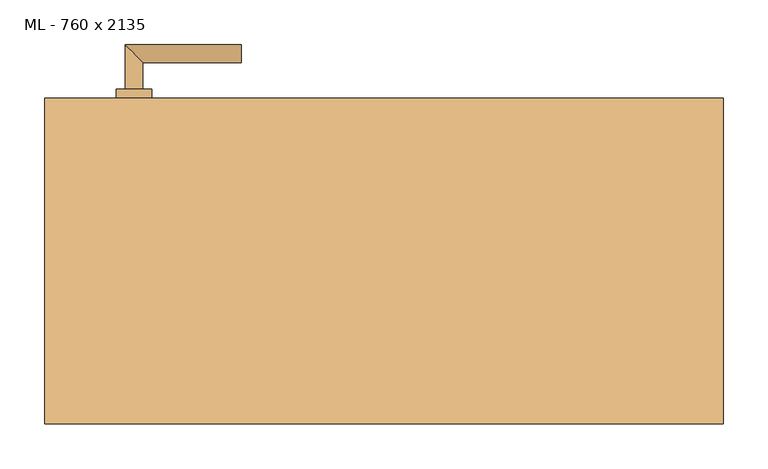
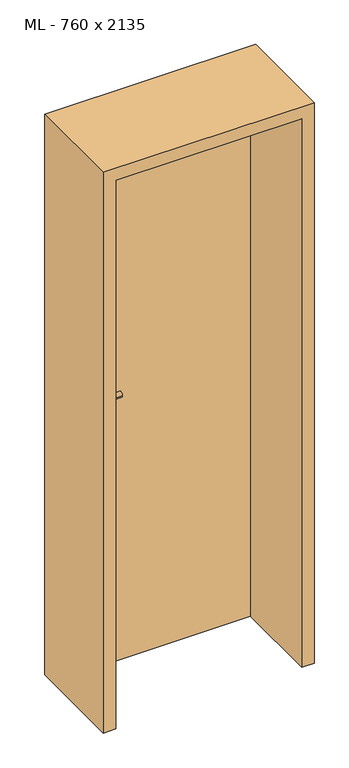
"""IFC4 building model written with IfcOpenShell, lengths in millimetres: door geometry, ML - 760 x 2135."""

from ifc_helpers import new_model, si_unit, point, frame, frame_2d, origin, origin_with_axes, place, context, project, spatial, polyline, circle_curve, ellipse_curve, trimmed, segment, composite_curve, outline, extrude, faceted_brep, source, transform, mapped, element, save
from ifc_brep_helpers import plane_surface, cylinder_surface, advanced_brep


def ml_760_x_2135_6ce7ee87(model_context):
    return source(origin(), model_context, "Body", "SolidModel", [
        extrude(outline(polyline([(346.0, 182.5), (346.0, 137.5), (-346.0, 137.5), (-346.0, 182.5), (346.0, 182.5)])), origin_with_axes(), (0.0, 0.0, 1.0), 2101.0),
        advanced_brep(
        [(-270.0, 192.5, 1050.0), (-290.0, 192.5, 1050.0), (-270.0, 222.5, 1050.0), (-290.0, 242.5, 1050.0), (-160.0, 222.5, 1050.0), (-160.0, 242.5, 1050.0)],
        [
            (0, 1, circle_curve(frame((-280.0, 192.5, 1050.0), z_axis=(0.0, -1.0, 0.0), x_axis=(-1.0, 0.0, 0.0)), 10.0)),
            (1, 0, circle_curve(frame((-280.0, 192.5, 1050.0), z_axis=(0.0, -1.0, 0.0), x_axis=(-1.0, 0.0, 0.0)), 10.0)),
            (0, 2),
            (2, 3, ellipse_curve(frame((-280.0, 232.5, 1050.0), z_axis=(-0.7071067811865531, -0.7071067811865419, 0.0), x_axis=(0.707106781186542, -0.707106781186553, 0.0)), 14.1421356, 10.0)),
            (3, 1),
            (3, 2, ellipse_curve(frame((-280.0, 232.5, 1050.0), z_axis=(-0.7071067811865531, -0.7071067811865419, 0.0), x_axis=(0.707106781186542, -0.707106781186553, 0.0)), 14.1421356, 10.0)),
            (4, 5, circle_curve(frame((-160.0, 232.5, 1050.0), z_axis=(1.0, 0.0, 0.0), x_axis=(0.0, 1.0, 0.0)), 10.0)),
            (5, 4, circle_curve(frame((-160.0, 232.5, 1050.0), z_axis=(1.0, 0.0, 0.0), x_axis=(0.0, 1.0, 0.0)), 10.0)),
            (2, 4),
            (5, 3),
        ],
        [
            plane_surface(frame((-280.0, 192.5, 1050.0), z_axis=(0.0, -1.0, 0.0), x_axis=(0.0, 0.0, 1.0))),
            cylinder_surface(frame((-280.0, 192.5, 1050.0), z_axis=(0.0, -1.0, 0.0), x_axis=(-1.0, 0.0, 0.0)), 10.0),
            plane_surface(frame((-160.0, 232.5, 1050.0), z_axis=(1.0, 0.0, 0.0), x_axis=(0.0, 0.0, 1.0))),
            cylinder_surface(frame((-280.0, 232.5, 1050.0), z_axis=(-1.0, 0.0, 0.0), x_axis=(0.0, 1.0, 0.0)), 10.0),
        ],
        [
            (0, [[1, 2]]),
            (1, [[-1, 3, 4, 5]]),
            (1, [[-2, -5, 6, -3]]),
            (2, [[7, 8]]),
            (3, [[-4, 9, -8, 10]]),
            (3, [[-6, -10, -7, -9]]),
        ],
    ),
        extrude(outline(composite_curve([segment(trimmed(circle_curve(frame_2d((990.0, -280.0)), 20.0), [point((990.0, -300.0))], [point((990.0, -260.0))], False, "CARTESIAN"), True, "CONTINUOUS"), segment(trimmed(circle_curve(frame_2d((990.0, -280.0)), 20.0), [point((990.0, -260.0))], [point((990.0, -300.0))], False, "CARTESIAN"), True, "CONTINUOUS")], self_intersect=False), holes=[composite_curve([segment(polyline([(976.4601385, -282.397268), (988.4749012, -282.397268)]), True, "CONTINUOUS"), segment(trimmed(circle_curve(frame_2d((995.0361633, -280.0)), 6.9854888), [point((988.4749012, -282.397268))], [point((988.4749012, -277.602732))], True, "CARTESIAN"), True, "CONTINUOUS"), segment(polyline([(988.4749012, -277.602732), (976.4601385, -277.602732)]), True, "CONTINUOUS"), segment(trimmed(circle_curve(frame_2d((976.4601385, -280.0)), 2.397268), [point((976.4601385, -277.602732))], [point((976.4601385, -282.397268))], True, "CARTESIAN"), True, "CONTINUOUS")], self_intersect=False)]), frame((0.0, 182.5, 0.0), z_axis=(0.0, 1.0, 0.0), x_axis=(0.0, 0.0, 1.0)), (0.0, 0.0, 1.0), 10.0),
        advanced_brep(
        [(-270.0, 192.5, 1050.0), (-290.0, 192.5, 1050.0), (-270.0, 222.5, 1050.0), (-290.0, 242.5, 1050.0), (-160.0, 222.5, 1050.0), (-160.0, 242.5, 1050.0)],
        [
            (0, 1, circle_curve(frame((-280.0, 192.5, 1050.0), z_axis=(0.0, -1.0, 0.0), x_axis=(-1.0, 0.0, 0.0)), 10.0)),
            (1, 0, circle_curve(frame((-280.0, 192.5, 1050.0), z_axis=(0.0, -1.0, 0.0), x_axis=(-1.0, 0.0, 0.0)), 10.0)),
            (0, 2),
            (2, 3, ellipse_curve(frame((-280.0, 232.5, 1050.0), z_axis=(-0.7071067811865537, -0.7071067811865414, 0.0), x_axis=(0.7071067811865414, -0.7071067811865536, 0.0)), 14.1421356, 10.0)),
            (3, 1),
            (3, 2, ellipse_curve(frame((-280.0, 232.5, 1050.0), z_axis=(-0.7071067811865537, -0.7071067811865414, 0.0), x_axis=(0.7071067811865414, -0.7071067811865536, 0.0)), 14.1421356, 10.0)),
            (4, 5, circle_curve(frame((-160.0, 232.5, 1050.0), z_axis=(1.0, 0.0, 0.0), x_axis=(0.0, 1.0, 0.0)), 10.0)),
            (5, 4, circle_curve(frame((-160.0, 232.5, 1050.0), z_axis=(1.0, 0.0, 0.0), x_axis=(0.0, 1.0, 0.0)), 10.0)),
            (2, 4),
            (5, 3),
        ],
        [
            plane_surface(frame((-280.0, 192.5, 1050.0), z_axis=(0.0, -1.0, 0.0), x_axis=(0.0, 0.0, 1.0))),
            cylinder_surface(frame((-280.0, 192.5, 1050.0), z_axis=(0.0, -1.0, 0.0), x_axis=(-1.0, 0.0, 0.0)), 10.0),
            plane_surface(frame((-160.0, 232.5, 1050.0), z_axis=(1.0, 0.0, 0.0), x_axis=(0.0, 0.0, 1.0))),
            cylinder_surface(frame((-280.0, 232.5, 1050.0), z_axis=(-1.0, 0.0, 0.0), x_axis=(0.0, 1.0, 0.0)), 10.0),
        ],
        [
            (0, [[1, 2]]),
            (1, [[-1, 3, 4, 5]]),
            (1, [[-2, -5, 6, -3]]),
            (2, [[7, 8]]),
            (3, [[-4, 9, -8, 10]]),
            (3, [[-6, -10, -7, -9]]),
        ],
    ),
        extrude(outline(composite_curve([segment(trimmed(circle_curve(frame_2d((1050.0, -280.0)), 20.0), [point((1050.0, -300.0))], [point((1050.0, -260.0))], False, "CARTESIAN"), True, "CONTINUOUS"), segment(trimmed(circle_curve(frame_2d((1050.0, -280.0)), 20.0), [point((1050.0, -260.0))], [point((1050.0, -300.0))], False, "CARTESIAN"), True, "CONTINUOUS")], self_intersect=False)), frame((0.0, 182.5, 0.0), z_axis=(0.0, 1.0, 0.0), x_axis=(0.0, 0.0, 1.0)), (0.0, 0.0, 1.0), 10.0),
        advanced_brep(
        [(-270.0, 127.5, 1050.0), (-290.0, 127.5, 1050.0), (-290.0, 77.5, 1050.0), (-270.0, 97.5, 1050.0), (-160.0, 97.5, 1050.0), (-160.0, 77.5, 1050.0)],
        [
            (0, 1, circle_curve(frame((-280.0, 127.5, 1050.0), z_axis=(0.0, 1.0, 0.0), x_axis=(-1.0, 0.0, 0.0)), 10.0)),
            (1, 0, circle_curve(frame((-280.0, 127.5, 1050.0), z_axis=(0.0, 1.0, 0.0), x_axis=(-1.0, 0.0, 0.0)), 10.0)),
            (1, 2),
            (2, 3, ellipse_curve(frame((-280.0, 87.5, 1050.0), z_axis=(-0.7071067811865486, 0.7071067811865464, 0.0), x_axis=(0.7071067811865464, 0.7071067811865488, 0.0)), 14.1421356, 10.0)),
            (3, 0),
            (3, 2, ellipse_curve(frame((-280.0, 87.5, 1050.0), z_axis=(-0.7071067811865486, 0.7071067811865464, 0.0), x_axis=(0.7071067811865464, 0.7071067811865488, 0.0)), 14.1421356, 10.0)),
            (4, 5, circle_curve(frame((-160.0, 87.5, 1050.0), z_axis=(1.0, 0.0, 0.0), x_axis=(0.0, -1.0, 0.0)), 10.0)),
            (5, 4, circle_curve(frame((-160.0, 87.5, 1050.0), z_axis=(1.0, 0.0, 0.0), x_axis=(0.0, -1.0, 0.0)), 10.0)),
            (2, 5),
            (4, 3),
        ],
        [
            plane_surface(frame((-280.0, 127.5, 1050.0), z_axis=(0.0, 1.0, 0.0), x_axis=(0.0, 0.0, 1.0))),
            cylinder_surface(frame((-280.0, 127.5, 1050.0), z_axis=(0.0, 1.0, 0.0), x_axis=(-1.0, 0.0, 0.0)), 10.0),
            plane_surface(frame((-160.0, 87.5, 1050.0), z_axis=(1.0, 0.0, 0.0), x_axis=(0.0, 0.0, 1.0))),
            cylinder_surface(frame((-280.0, 87.5, 1050.0), z_axis=(-1.0, 0.0, 0.0), x_axis=(0.0, -1.0, 0.0)), 10.0),
        ],
        [
            (0, [[1, 2]]),
            (1, [[3, 4, 5, -2]]),
            (1, [[-5, 6, -3, -1]]),
            (2, [[7, 8]]),
            (3, [[9, -7, 10, -4]]),
            (3, [[-10, -8, -9, -6]]),
        ],
    ),
        extrude(outline(composite_curve([segment(trimmed(circle_curve(frame_2d((990.0, -280.0)), 20.0), [point((990.0, -300.0))], [point((990.0, -260.0))], False, "CARTESIAN"), True, "CONTINUOUS"), segment(trimmed(circle_curve(frame_2d((990.0, -280.0)), 20.0), [point((990.0, -260.0))], [point((990.0, -300.0))], False, "CARTESIAN"), True, "CONTINUOUS")], self_intersect=False), holes=[composite_curve([segment(polyline([(976.4601385, -282.397268), (988.4749012, -282.397268)]), True, "CONTINUOUS"), segment(trimmed(circle_curve(frame_2d((995.0361633, -280.0)), 6.9854888), [point((988.4749012, -282.397268))], [point((988.4749012, -277.602732))], True, "CARTESIAN"), True, "CONTINUOUS"), segment(polyline([(988.4749012, -277.602732), (976.4601385, -277.602732)]), True, "CONTINUOUS"), segment(trimmed(circle_curve(frame_2d((976.4601385, -280.0)), 2.397268), [point((976.4601385, -277.602732))], [point((976.4601385, -282.397268))], True, "CARTESIAN"), True, "CONTINUOUS")], self_intersect=False)]), frame((0.0, 127.5, 0.0), z_axis=(0.0, 1.0, 0.0), x_axis=(0.0, 0.0, 1.0)), (0.0, 0.0, 1.0), 10.0),
        advanced_brep(
        [(-270.0, 127.5, 1050.0), (-290.0, 127.5, 1050.0), (-290.0, 77.5, 1050.0), (-270.0, 97.5, 1050.0), (-160.0, 97.5, 1050.0), (-160.0, 77.5, 1050.0)],
        [
            (0, 1, circle_curve(frame((-280.0, 127.5, 1050.0), z_axis=(0.0, 1.0, 0.0), x_axis=(-1.0, 0.0, 0.0)), 10.0)),
            (1, 0, circle_curve(frame((-280.0, 127.5, 1050.0), z_axis=(0.0, 1.0, 0.0), x_axis=(-1.0, 0.0, 0.0)), 10.0)),
            (1, 2),
            (2, 3, ellipse_curve(frame((-280.0, 87.5, 1050.0), z_axis=(-0.7071067811865491, 0.7071067811865459, 0.0), x_axis=(0.7071067811865458, 0.7071067811865492, 0.0)), 14.1421356, 10.0)),
            (3, 0),
            (3, 2, ellipse_curve(frame((-280.0, 87.5, 1050.0), z_axis=(-0.7071067811865491, 0.7071067811865459, 0.0), x_axis=(0.7071067811865458, 0.7071067811865492, 0.0)), 14.1421356, 10.0)),
            (4, 5, circle_curve(frame((-160.0, 87.5, 1050.0), z_axis=(1.0, 0.0, 0.0), x_axis=(0.0, -1.0, 0.0)), 10.0)),
            (5, 4, circle_curve(frame((-160.0, 87.5, 1050.0), z_axis=(1.0, 0.0, 0.0), x_axis=(0.0, -1.0, 0.0)), 10.0)),
            (2, 5),
            (4, 3),
        ],
        [
            plane_surface(frame((-280.0, 127.5, 1050.0), z_axis=(0.0, 1.0, 0.0), x_axis=(0.0, 0.0, 1.0))),
            cylinder_surface(frame((-280.0, 127.5, 1050.0), z_axis=(0.0, 1.0, 0.0), x_axis=(-1.0, 0.0, 0.0)), 10.0),
            plane_surface(frame((-160.0, 87.5, 1050.0), z_axis=(1.0, 0.0, 0.0), x_axis=(0.0, 0.0, 1.0))),
            cylinder_surface(frame((-280.0, 87.5, 1050.0), z_axis=(-1.0, 0.0, 0.0), x_axis=(0.0, -1.0, 0.0)), 10.0),
        ],
        [
            (0, [[1, 2]]),
            (1, [[3, 4, 5, -2]]),
            (1, [[-5, 6, -3, -1]]),
            (2, [[7, 8]]),
            (3, [[9, -7, 10, -4]]),
            (3, [[-10, -8, -9, -6]]),
        ],
    ),
        extrude(outline(composite_curve([segment(trimmed(circle_curve(frame_2d((1050.0, -280.0)), 20.0), [point((1050.0, -300.0))], [point((1050.0, -260.0))], False, "CARTESIAN"), True, "CONTINUOUS"), segment(trimmed(circle_curve(frame_2d((1050.0, -280.0)), 20.0), [point((1050.0, -260.0))], [point((1050.0, -300.0))], False, "CARTESIAN"), True, "CONTINUOUS")], self_intersect=False)), frame((0.0, 127.5, 0.0), z_axis=(0.0, 1.0, 0.0), x_axis=(0.0, 0.0, 1.0)), (0.0, 0.0, 1.0), 10.0),
        faceted_brep([(-350.0, 182.5, 0.0), (-350.0, 137.5, 0.0), (-335.0, 137.5, 0.0), (-335.0, -182.5, 0.0), (-380.0, -182.5, 0.0), (-380.0, 182.5, 0.0), (-350.0, 182.5, 2105.0), (-350.0, 137.5, 2105.0), (350.0, 137.5, 2105.0), (350.0, 137.5, 0.0), (335.0, 137.5, 0.0), (335.0, 137.5, 2090.0), (-335.0, 137.5, 2090.0), (-335.0, -182.5, 2090.0), (335.0, -182.5, 2090.0), (335.0, -182.5, 0.0), (380.0, -182.5, 0.0), (380.0, -182.5, 2135.0), (-380.0, -182.5, 2135.0), (-380.0, 182.5, 2135.0), (380.0, 182.5, 2135.0), (380.0, 182.5, 0.0), (350.0, 182.5, 0.0), (350.0, 182.5, 2105.0)], [[[0, 1, 2, 3, 4, 5]], [[1, 0, 6, 7]], [[2, 1, 7, 8, 9, 10, 11, 12]], [[3, 2, 12, 13]], [[4, 3, 13, 14, 15, 16, 17, 18]], [[5, 4, 18, 19]], [[0, 5, 19, 20, 21, 22, 23, 6]], [[20, 17, 16, 21]], [[22, 21, 16, 15, 10, 9]], [[8, 23, 22, 9]], [[14, 11, 10, 15]], [[19, 18, 17, 20]], [[13, 12, 11, 14]], [[7, 6, 23, 8]]]),
    ])


if __name__ == "__main__":
    model = new_model("IFC4")
    model_context = context("Model", 3, world=origin())
    ifc_project = project(units=[si_unit("LENGTHUNIT", "METRE", prefix="MILLI")], contexts=[model_context])
    site = spatial("IfcSite", under=ifc_project)
    building = spatial("IfcBuilding", under=site)
    placement = place(None, origin())
    ml_760_x_2135_shape = ml_760_x_2135_6ce7ee87(model_context)
    element("IfcDoor", 1, ObjectType="ML - 760 x 2135", at=placement, inside=building, context=model_context, shape_type="MappedRepresentation", body=[
        mapped(ml_760_x_2135_shape, transform((0.0, 0.0, 0.0), x_axis=(1.0, 0.0, 0.0), y_axis=(0.0, 1.0, 0.0), z_axis=(0.0, 0.0, 1.0))),
    ])
    save(model, "model.ifc")
